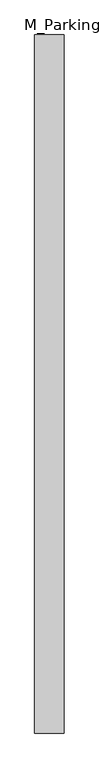
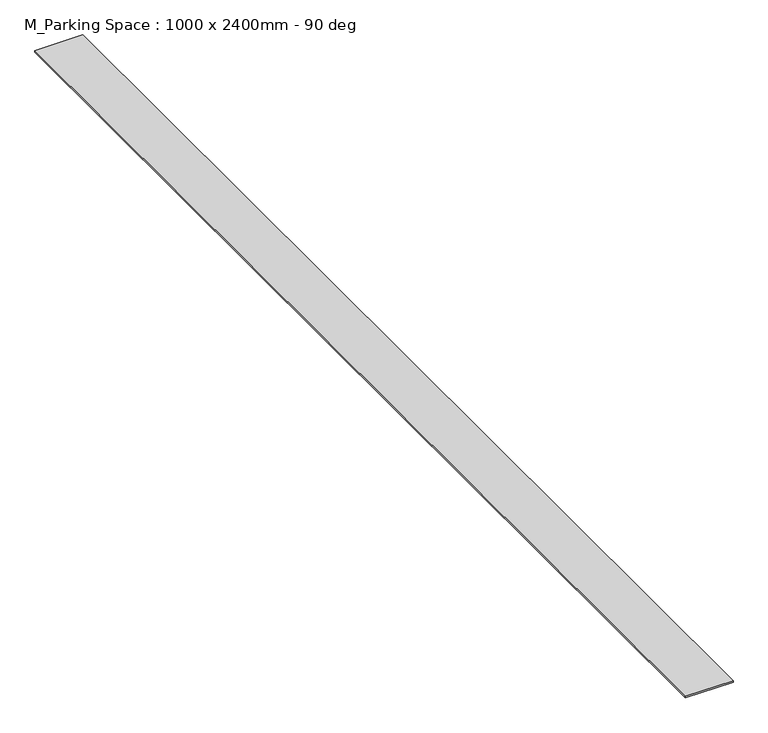
"""IFC4 building model written with IfcOpenShell, lengths in millimetres: proxy geometry, M_Parking Space : 1000 x 2400mm - 90 deg."""

import ifcopenshell
import ifcopenshell.guid

model = None  # the IFC model being written
_history = None  # IfcOwnerHistory: only IFC2X3 demands one
_inside = {}  # id of a spatial element -> (the spatial element, [elements in it])
_under = {}  # id of a project, library or spatial element -> (it, [spatial elements below it])
_declared = {}  # id of a project -> (the project, [libraries it declares])
_typed = {}  # id of a type object -> (the type object, [elements of that type])
_made_of = {}  # id of a material, layer set ... -> (it, [elements and type objects made of it])


def new_model(schema):
    """Start an empty IFC model of exactly this schema.

    Asked for "IFC4X3", IfcOpenShell would pick the latest addendum, in which some entities
    have other attributes; the version numbers below select the first issue.
    IFC2X3 requires an IfcOwnerHistory on every rooted entity: one is made here for all.
    """
    global model, _history
    if schema == "IFC4X3":
        model = ifcopenshell.file(schema_version=(4, 3, 0, 0))
    else:
        model = ifcopenshell.file(schema=schema)
    _inside.clear()
    _under.clear()
    _declared.clear()
    _typed.clear()
    _made_of.clear()
    _history = None
    if model.schema == "IFC2X3":
        org = make("IfcOrganization", Name="unknown")
        user = make(
            "IfcPersonAndOrganization",
            ThePerson=make("IfcPerson", FamilyName="unknown"),
            TheOrganization=org,
        )
        app = make(
            "IfcApplication",
            ApplicationDeveloper=org,
            Version="unknown",
            ApplicationFullName="unknown",
            ApplicationIdentifier="unknown",
        )
        _history = make(
            "IfcOwnerHistory",
            OwningUser=user,
            OwningApplication=app,
            ChangeAction="ADDED",
            CreationDate=0,
        )
    return model


def make(cls, **values):
    """One entity of the class cls with the attributes given. An attribute that is None is left unset."""
    return model.create_entity(
        cls, **{name: value for name, value in values.items() if value is not None}
    )


def rooted(cls, **values):
    """An entity with a GlobalId (a new one), such as an element, a storey or a relation."""
    return make(cls, GlobalId=ifcopenshell.guid.new(), OwnerHistory=_history, **values)


def si_unit(unit_type, name, prefix=None):
    """IfcSIUnit, for example si_unit("LENGTHUNIT", "METRE", prefix="MILLI")."""
    return make("IfcSIUnit", UnitType=unit_type, Prefix=prefix, Name=name)


def assignment(units):
    """IfcUnitAssignment: the units of a project."""
    return None if units is None else make("IfcUnitAssignment", Units=units)


def point(xyz):
    """IfcCartesianPoint."""
    return None if xyz is None else make("IfcCartesianPoint", Coordinates=xyz)


def direction(xyz):
    """IfcDirection."""
    return None if xyz is None else make("IfcDirection", DirectionRatios=xyz)


def frame(location, z_axis=None, x_axis=None):
    """IfcAxis2Placement3D, a coordinate frame: its origin and axes. An axis left out is left unset."""
    return make(
        "IfcAxis2Placement3D",
        Location=point(location),
        Axis=direction(z_axis),
        RefDirection=direction(x_axis),
    )


def origin():
    """The frame at (0, 0, 0) with its axes left unset."""
    return frame((0.0, 0.0, 0.0))


def origin_with_axes():
    """The frame at (0, 0, 0) with the z axis (0, 0, 1) and the x axis (1, 0, 0) written out."""
    return frame((0.0, 0.0, 0.0), z_axis=(0.0, 0.0, 1.0), x_axis=(1.0, 0.0, 0.0))


def place(relative_to, where):
    """IfcLocalPlacement: puts the frame where relative to a parent placement (None: the world)."""
    return make(
        "IfcLocalPlacement", PlacementRelTo=relative_to, RelativePlacement=where
    )


def context(
    kind, dimensions, precision=None, world=None, true_north=None, identifier=None
):
    """IfcGeometricRepresentationContext, for example the 3D "Model" context."""
    return make(
        "IfcGeometricRepresentationContext",
        ContextIdentifier=identifier,
        ContextType=kind,
        CoordinateSpaceDimension=dimensions,
        Precision=precision,
        WorldCoordinateSystem=world,
        TrueNorth=true_north,
    )


def project(units=None, contexts=None):
    """IfcProject with its units and contexts."""
    return rooted(
        "IfcProject",
        Name="project",
        RepresentationContexts=contexts,
        UnitsInContext=assignment(units),
    )


def spatial(cls, under=None, at=None, **own):
    """A site, building, storey or space (cls), placed at a placement, below another one or the project."""
    s = rooted(cls, ObjectPlacement=at, **own)
    if under is not None:
        _under.setdefault(under.id(), (under, []))[1].append(s)
    return s


def polyline(points):
    """IfcPolyline through the points."""
    return make("IfcPolyline", Points=[point(p) for p in points])


def outline(outer, holes=None, kind="AREA"):
    """IfcArbitraryClosedProfileDef: a profile drawn as a closed curve; with holes, ...WithVoids."""
    if holes is None:
        return make("IfcArbitraryClosedProfileDef", ProfileType=kind, OuterCurve=outer)
    return make(
        "IfcArbitraryProfileDefWithVoids",
        ProfileType=kind,
        OuterCurve=outer,
        InnerCurves=holes,
    )


def extrude(swept, where, along, depth):
    """IfcExtrudedAreaSolid: the profile swept, set in the frame where, extruded along a direction by depth."""
    return make(
        "IfcExtrudedAreaSolid",
        SweptArea=swept,
        Position=where,
        ExtrudedDirection=direction(along),
        Depth=depth,
    )


def shape(context_of_items, identifier, shape_type, items):
    """IfcShapeRepresentation: the items that make up one representation, for example the "Body"."""
    return make(
        "IfcShapeRepresentation",
        ContextOfItems=context_of_items,
        RepresentationIdentifier=identifier,
        RepresentationType=shape_type,
        Items=items,
    )


def source(mapping_origin, context_of_items, identifier, shape_type, items):
    """IfcRepresentationMap: a shape defined once, which mapped items show again and again."""
    return make(
        "IfcRepresentationMap",
        MappingOrigin=mapping_origin,
        MappedRepresentation=shape(context_of_items, identifier, shape_type, items),
    )


def transform(
    local_origin,
    x_axis=None,
    y_axis=None,
    z_axis=None,
    scale=None,
    scale2=None,
    scale3=None,
    uniform=True,
):
    """IfcCartesianTransformationOperator3D, or its non-uniform kind. x_axis, y_axis, z_axis: its Axis1, 2, 3."""
    if uniform:
        return make(
            "IfcCartesianTransformationOperator3D",
            Axis1=direction(x_axis),
            Axis2=direction(y_axis),
            LocalOrigin=point(local_origin),
            Scale=scale,
            Axis3=direction(z_axis),
        )
    return make(
        "IfcCartesianTransformationOperator3DnonUniform",
        Axis1=direction(x_axis),
        Axis2=direction(y_axis),
        LocalOrigin=point(local_origin),
        Scale=scale,
        Axis3=direction(z_axis),
        Scale2=scale2,
        Scale3=scale3,
    )


def mapped(mapping_source, mapping_target):
    """IfcMappedItem: shows the shape of a source again, moved by a transform."""
    return make(
        "IfcMappedItem", MappingSource=mapping_source, MappingTarget=mapping_target
    )


def made_of(thing, what):
    """Note that an element or type object is made of a material, layer set ...; save() writes the relation."""
    if what is not None:
        _made_of.setdefault(what.id(), (what, []))[1].append(thing)
    return thing


def element(
    cls,
    number,
    at=None,
    inside=None,
    cuts=None,
    type_object=None,
    material=None,
    context=None,
    identifier="Body",
    shape_type=None,
    held_by="IfcProductDefinitionShape",
    body=None,
    shapes=None,
    **own,
):
    """One element of the class cls, such as IfcWall. Its Tag is "e" and its number.

    at: its placement. inside: the storey or other place that contains it. cuts: it is an
    opening in that element (IfcRelVoidsElement). A single representation is given by context,
    identifier, shape_type and body (its items); several are given by shapes. held_by: the class
    of the entity that holds the representations. save() writes the other relations.
    """
    e = rooted(cls, Tag="e%d" % number, ObjectPlacement=at, **own)
    if body is not None:
        shapes = [shape(context, identifier, shape_type, body)]
    if shapes is not None:
        e.Representation = make(held_by, Representations=shapes)
    if inside is not None:
        _inside.setdefault(inside.id(), (inside, []))[1].append(e)
    if cuts is not None:
        rooted(
            "IfcRelVoidsElement", RelatingBuildingElement=cuts, RelatedOpeningElement=e
        )
    if type_object is not None:
        _typed.setdefault(type_object.id(), (type_object, []))[1].append(e)
    return made_of(e, material)


def aggregate(whole, parts):
    """IfcRelAggregates: a whole, such as a stair, and the parts it consists of."""
    return rooted("IfcRelAggregates", RelatingObject=whole, RelatedObjects=parts)


def save(model, path):
    """Write the relations noted so far, then the file.

    IfcRelAggregates (storeys below a building ...), IfcRelContainedInSpatialStructure (elements
    in a storey), IfcRelDefinesByType, IfcRelAssociatesMaterial and IfcRelDeclares: one each for
    every whole, place, type object, material and project.
    """
    for whole, parts in _under.values():
        aggregate(whole, parts)
    for where, things in _inside.values():
        rooted(
            "IfcRelContainedInSpatialStructure",
            RelatedElements=things,
            RelatingStructure=where,
        )
    for kind, things in _typed.values():
        rooted("IfcRelDefinesByType", RelatedObjects=things, RelatingType=kind)
    for what, things in _made_of.values():
        rooted("IfcRelAssociatesMaterial", RelatedObjects=things, RelatingMaterial=what)
    for by, libraries in _declared.values():
        rooted("IfcRelDeclares", RelatingContext=by, RelatedDefinitions=libraries)
    model.write(path)


def m_parking_space_1000_x_2400mm_90_deg_fc5a0ef5(model_context):
    return source(origin(), model_context, "Body", "SweptSolid", [
        extrude(outline(polyline([(-50.8, 0.0), (-50.8, 2400.0), (50.8, 2400.0), (50.8, 0.0), (-50.8, 0.0)])), origin_with_axes(), (0.0, 0.0, 1.0), 3.175),
    ])


if __name__ == "__main__":
    model = new_model("IFC4")
    model_context = context("Model", 3, world=origin())
    ifc_project = project(units=[si_unit("LENGTHUNIT", "METRE", prefix="MILLI")], contexts=[model_context])
    site = spatial("IfcSite", under=ifc_project)
    building = spatial("IfcBuilding", under=site)
    placement = place(None, origin())
    m_parking_space_1000_x_2400mm_90_deg_shape = m_parking_space_1000_x_2400mm_90_deg_fc5a0ef5(model_context)
    element("IfcBuildingElementProxy", 1, Name="M_Parking Space : 1000 x 2400mm - 90 deg", ObjectType="M_Parking Space : 1000 x 2400mm - 90 deg", at=placement, inside=building, context=model_context, shape_type="MappedRepresentation", body=[
        mapped(m_parking_space_1000_x_2400mm_90_deg_shape, transform((0.0, 0.0, 0.0), x_axis=(1.0, 0.0, 0.0), y_axis=(0.0, 1.0, 0.0), z_axis=(0.0, 0.0, 1.0))),
    ])
    save(model, "model.ifc")
